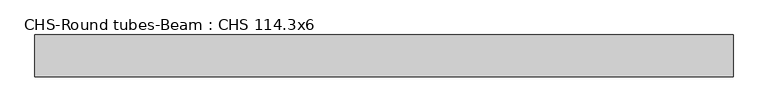
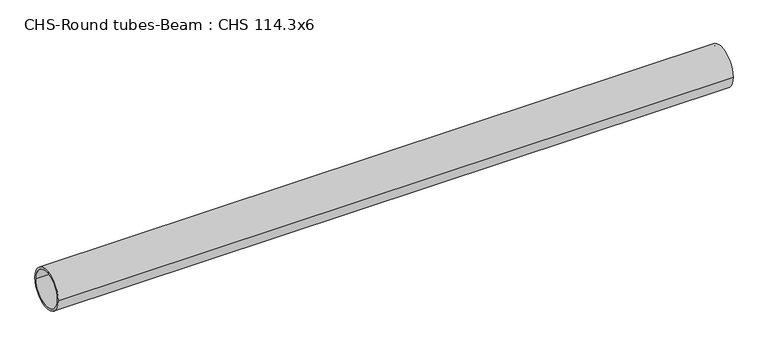
"""IFC4 building model written with IfcOpenShell, lengths in millimetres: beam geometry, CHS-Round tubes-Beam : CHS 114.3x6."""

from ifc_helpers import new_model, si_unit, point, frame, origin, origin_2d, place, context, project, spatial, circle_curve, trimmed, segment, composite_curve, outline, extrude, source, transform, mapped, element, save


def chs_round_tubes_beam_chs_114_3x6_c0c5a6a7(model_context):
    return source(origin(), model_context, "Body", "SweptSolid", [
        extrude(outline(composite_curve([segment(trimmed(circle_curve(origin_2d(), 57.15), [point((57.15, 0.0))], [point((-57.15, 0.0))], False, "CARTESIAN"), True, "CONTINUOUS"), segment(trimmed(circle_curve(origin_2d(), 57.15), [point((-57.15, 0.0))], [point((57.15, 0.0))], False, "CARTESIAN"), True, "CONTINUOUS")], self_intersect=False), holes=[composite_curve([segment(trimmed(circle_curve(origin_2d(), 51.15), [point((51.15, 0.0))], [point((-51.15, 0.0))], True, "CARTESIAN"), True, "CONTINUOUS"), segment(trimmed(circle_curve(origin_2d(), 51.15), [point((-51.15, 0.0))], [point((51.15, 0.0))], True, "CARTESIAN"), True, "CONTINUOUS")], self_intersect=False)]), frame((-956.7557921, 0.0, 0.0), z_axis=(1.0, 0.0, 0.0), x_axis=(0.0, 1.0, 0.0)), (0.0, 0.0, 1.0), 1911.8063533),
    ])


if __name__ == "__main__":
    model = new_model("IFC4")
    model_context = context("Model", 3, world=origin())
    ifc_project = project(units=[si_unit("LENGTHUNIT", "METRE", prefix="MILLI")], contexts=[model_context])
    site = spatial("IfcSite", under=ifc_project)
    building = spatial("IfcBuilding", under=site)
    placement = place(None, origin())
    chs_round_tubes_beam_chs_114_3x6_shape = chs_round_tubes_beam_chs_114_3x6_c0c5a6a7(model_context)
    element("IfcBeam", 1, ObjectType="CHS-Round tubes-Beam : CHS 114.3x6", at=placement, inside=building, context=model_context, shape_type="MappedRepresentation", body=[
        mapped(chs_round_tubes_beam_chs_114_3x6_shape, transform((0.0, 0.0, 0.0), x_axis=(1.0, 0.0, 0.0), y_axis=(0.0, 1.0, 0.0), z_axis=(0.0, 0.0, 1.0))),
    ])
    save(model, "model.ifc")
